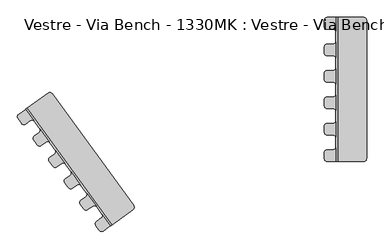
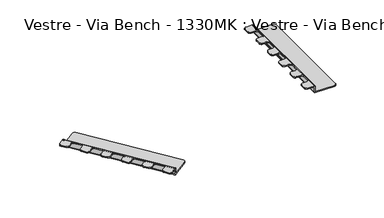
"""IFC4 building model written with IfcOpenShell, lengths in millimetres: furniture geometry, Vestre - Via Bench - 1330MK : Vestre - Via Bench - 1330MK."""

from ifc_helpers import new_model, si_unit, frame, origin, place, context, project, spatial, polyline, circle_curve, source, transform, mapped, element, save
from ifc_brep_helpers import plane_surface, cylinder_surface, revolved_surface, advanced_brep


def vestre_via_bench_1330mk_vestre_via_bench_1330mk_baa51c59(model_context):
    return source(origin(), model_context, "Body", "AdvancedBrep", [
        advanced_brep(
        [(-10.0003404, 62.7999529, 378.0003783), (-20.0003404, 52.7999529, 378.0003783), (-20.0003404, 32.7999529, 378.0003783), (-10.0003404, 22.7999529, 378.0003783), (9.9996596, 22.7999529, 378.0003783), (19.2872706, 16.5067415, 378.0003783), (19.2872706, 69.0931644, 378.0003783), (9.9996596, 62.7999529, 378.0003783), (9.9996596, 112.7999529, 378.0003783), (19.2872706, 106.5067415, 378.0003783), (19.2872706, 159.0931644, 378.0003783), (9.9996596, 152.7999529, 378.0003783), (-10.0003404, 152.7999529, 378.0003783), (-20.0003404, 142.7999529, 378.0003783), (-20.0003404, 122.7999529, 378.0003783), (-10.0003404, 112.7999529, 378.0003783), (9.9996596, 202.7999529, 378.0003783), (19.2872706, 196.5067415, 378.0003783), (19.2872706, 243.5, 378.0003783), (-10.0003404, 243.5, 378.0003783), (-20.0003404, 233.5, 378.0003783), (-20.0003404, 212.7999529, 378.0003783), (-10.0003404, 202.7999529, 378.0003783), (-10.0003404, -27.2000471, 378.0003783), (-20.0003404, -37.2000471, 378.0003783), (-20.0003404, -57.2000471, 378.0003783), (-10.0003404, -67.2000471, 378.0003783), (9.9996596, -67.2000471, 378.0003783), (19.2872706, -73.4932585, 378.0003783), (19.2872706, -20.9068356, 378.0003783), (9.9996596, -27.2000471, 378.0003783), (-10.0003404, -117.2000471, 378.0003783), (-20.0003404, -127.2000471, 378.0003783), (-20.0003404, -147.2000471, 378.0003783), (-10.0003404, -157.2000471, 378.0003783), (9.9996596, -157.2000471, 378.0003783), (19.2872706, -163.4932585, 378.0003783), (19.2872706, -110.9068356, 378.0003783), (9.9996596, -117.2000471, 378.0003783), (-10.0003404, -207.2000471, 378.0003783), (-20.0003404, -217.2000471, 378.0003783), (-20.0003404, -237.2000471, 378.0003783), (-10.0003404, -247.2000471, 378.0003783), (19.2872706, -247.2000471, 378.0003783), (19.2872706, -200.9068356, 378.0003783), (9.9996596, -207.2000471, 378.0003783), (-10.0003404, 62.7999529, 373.0), (9.9996596, 62.7999529, 373.0), (19.2872706, 69.0931644, 373.0), (19.2872706, 16.5067415, 373.0), (9.9996596, 22.7999529, 373.0), (-10.0003404, 22.7999529, 373.0), (-20.0003404, 32.7999529, 373.0), (-20.0003404, 52.7999529, 373.0), (9.9996596, 112.7999529, 373.0), (-10.0003404, 112.7999529, 373.0), (-20.0003404, 122.7999529, 373.0), (-20.0003404, 142.7999529, 373.0), (-10.0003404, 152.7999529, 373.0), (9.9996596, 152.7999529, 373.0), (19.2872706, 159.0931644, 373.0), (19.2872706, 106.5067415, 373.0), (9.9996596, 202.7999529, 373.0), (-10.0003404, 202.7999529, 373.0), (-20.0003404, 212.7999529, 373.0), (-20.0003404, 233.5, 373.0), (-10.0003404, 243.5, 373.0), (19.2872706, 243.5, 373.0), (19.2872706, 196.5067415, 373.0), (-10.0003404, -27.2000471, 373.0), (9.9996596, -27.2000471, 373.0), (19.2872706, -20.9068356, 373.0), (19.2872706, -73.4932585, 373.0), (9.9996596, -67.2000471, 373.0), (-10.0003404, -67.2000471, 373.0), (-20.0003404, -57.2000471, 373.0), (-20.0003404, -37.2000471, 373.0), (-10.0003404, -117.2000471, 373.0), (9.9996596, -117.2000471, 373.0), (19.2872706, -110.9068356, 373.0), (19.2872706, -163.4932585, 373.0), (9.9996596, -157.2000471, 373.0), (-10.0003404, -157.2000471, 373.0), (-20.0003404, -147.2000471, 373.0), (-20.0003404, -127.2000471, 373.0), (-10.0003404, -207.2000471, 373.0), (9.9996596, -207.2000471, 373.0), (19.2872706, -200.9068356, 373.0), (19.2872706, -247.2000471, 373.0), (-10.0003404, -247.2000471, 373.0), (-20.0003404, -237.2000471, 373.0), (-20.0003404, -217.2000471, 373.0), (25.0876489, 243.5, 372.2), (25.0876489, 243.5, 348.3561945), (25.8876489, 243.5, 347.5561945), (113.3310761, 243.5, 347.5561945), (113.3310761, 243.5, 342.5561945), (25.8872706, 243.5, 342.5561945), (20.0872706, 243.5, 348.3561945), (20.0872706, 243.5, 372.2), (20.0872706, -247.2000471, 372.2), (20.0872706, -247.2000471, 348.3561945), (25.8872706, -247.2000471, 342.5561945), (113.3310761, -247.2000471, 342.5561945), (113.3310761, -247.2000471, 347.5561945), (25.8876489, -247.2000471, 347.5561945), (25.0876489, -247.2000471, 348.3561945), (25.0876489, -247.2000471, 372.2), (123.3310761, 233.5, 342.5561945), (123.3310761, -237.2000471, 342.5561945), (123.3310761, -237.2000471, 347.5561945), (123.3310761, 233.5, 347.5561945)],
        [
            (0, 1, circle_curve(frame((-10.0003404, 52.7999529, 378.0003783), z_axis=(0.0, 0.0, 1.0), x_axis=(-1.0, 0.0, 0.0)), 10.0)),
            (1, 2),
            (2, 3, circle_curve(frame((-10.0003404, 32.7999529, 378.0003783), z_axis=(0.0, 0.0, 1.0), x_axis=(0.0, -1.0, 0.0)), 10.0)),
            (3, 4),
            (4, 5, circle_curve(frame((9.9996596, 12.7999529, 378.0003783), z_axis=(0.0, 0.0, -1.0), x_axis=(0.0, 1.0, 0.0)), 10.0)),
            (5, 6),
            (6, 7, circle_curve(frame((9.9996596, 72.7999529, 378.0003783), z_axis=(0.0, 0.0, -1.0), x_axis=(0.9287611019613662, -0.3706788576160083, 0.0)), 10.0)),
            (7, 0),
            (8, 9, circle_curve(frame((9.9996596, 102.7999529, 378.0003783), z_axis=(0.0, 0.0, -1.0), x_axis=(0.0, 1.0, 0.0)), 10.0)),
            (9, 10),
            (10, 11, circle_curve(frame((9.9996596, 162.7999529, 378.0003783), z_axis=(0.0, 0.0, -1.0), x_axis=(0.928761101961394, -0.3706788576159382, 0.0)), 10.0)),
            (11, 12),
            (12, 13, circle_curve(frame((-10.0003404, 142.7999529, 378.0003783), z_axis=(0.0, 0.0, 1.0), x_axis=(-1.0, 0.0, 0.0)), 10.0)),
            (13, 14),
            (14, 15, circle_curve(frame((-10.0003404, 122.7999529, 378.0003783), z_axis=(0.0, 0.0, 1.0), x_axis=(0.0, -1.0, 0.0)), 10.0)),
            (15, 8),
            (16, 17, circle_curve(frame((9.9996596, 192.7999529, 378.0003783), z_axis=(0.0, 0.0, -1.0), x_axis=(0.0, 1.0, 0.0)), 10.0)),
            (17, 18),
            (18, 19),
            (19, 20, circle_curve(frame((-10.0003404, 233.5, 378.0003783), z_axis=(0.0, 0.0, 1.0), x_axis=(-1.0, 0.0, 0.0)), 10.0)),
            (20, 21),
            (21, 22, circle_curve(frame((-10.0003404, 212.7999529, 378.0003783), z_axis=(0.0, 0.0, 1.0), x_axis=(0.0, -1.0, 0.0)), 10.0)),
            (22, 16),
            (23, 24, circle_curve(frame((-10.0003404, -37.2000471, 378.0003783), z_axis=(0.0, 0.0, 1.0), x_axis=(-1.0, 0.0, 0.0)), 10.0)),
            (24, 25),
            (25, 26, circle_curve(frame((-10.0003404, -57.2000471, 378.0003783), z_axis=(0.0, 0.0, 1.0), x_axis=(0.0, -1.0, 0.0)), 10.0)),
            (26, 27),
            (27, 28, circle_curve(frame((9.9996596, -77.2000471, 378.0003783), z_axis=(0.0, 0.0, -1.0), x_axis=(0.0, 1.0, 0.0)), 10.0)),
            (28, 29),
            (29, 30, circle_curve(frame((9.9996596, -17.2000471, 378.0003783), z_axis=(0.0, 0.0, -1.0), x_axis=(0.9287611019613382, -0.3706788576160784, 0.0)), 10.0)),
            (30, 23),
            (31, 32, circle_curve(frame((-10.0003404, -127.2000471, 378.0003783), z_axis=(0.0, 0.0, 1.0), x_axis=(-1.0, 0.0, 0.0)), 10.0)),
            (32, 33),
            (33, 34, circle_curve(frame((-10.0003404, -147.2000471, 378.0003783), z_axis=(0.0, 0.0, 1.0), x_axis=(0.0, -1.0, 0.0)), 10.0)),
            (34, 35),
            (35, 36, circle_curve(frame((9.9996596, -167.2000471, 378.0003783), z_axis=(0.0, 0.0, -1.0), x_axis=(0.0, 1.0, 0.0)), 10.0)),
            (36, 37),
            (37, 38, circle_curve(frame((9.9996596, -107.2000471, 378.0003783), z_axis=(0.0, 0.0, -1.0), x_axis=(0.9287611019613643, -0.37067885761601305, 0.0)), 10.0)),
            (38, 31),
            (39, 40, circle_curve(frame((-10.0003404, -217.2000471, 378.0003783), z_axis=(0.0, 0.0, 1.0), x_axis=(-1.0, 0.0, 0.0)), 10.0)),
            (40, 41),
            (41, 42, circle_curve(frame((-10.0003404, -237.2000471, 378.0003783), z_axis=(0.0, 0.0, 1.0), x_axis=(0.0, -1.0, 0.0)), 10.0)),
            (42, 43),
            (43, 44),
            (44, 45, circle_curve(frame((9.9996596, -197.2000471, 378.0003783), z_axis=(0.0, 0.0, -1.0), x_axis=(0.9287611019613456, -0.37067885761605973, 0.0)), 10.0)),
            (45, 39),
            (46, 47),
            (47, 48, circle_curve(frame((9.9996596, 72.7999529, 373.0), z_axis=(0.0, 0.0, 1.0), x_axis=(0.9287611019613662, -0.3706788576160083, 0.0)), 10.0)),
            (48, 49),
            (49, 50, circle_curve(frame((9.9996596, 12.7999529, 373.0), z_axis=(0.0, 0.0, 1.0), x_axis=(0.0, 1.0, 0.0)), 10.0)),
            (50, 51),
            (51, 52, circle_curve(frame((-10.0003404, 32.7999529, 373.0), z_axis=(0.0, 0.0, -1.0), x_axis=(0.0, -1.0, 0.0)), 10.0)),
            (52, 53),
            (53, 46, circle_curve(frame((-10.0003404, 52.7999529, 373.0), z_axis=(0.0, 0.0, -1.0), x_axis=(-1.0, 0.0, 0.0)), 10.0)),
            (54, 55),
            (55, 56, circle_curve(frame((-10.0003404, 122.7999529, 373.0), z_axis=(0.0, 0.0, -1.0), x_axis=(0.0, -1.0, 0.0)), 10.0)),
            (56, 57),
            (57, 58, circle_curve(frame((-10.0003404, 142.7999529, 373.0), z_axis=(0.0, 0.0, -1.0), x_axis=(-1.0, 0.0, 0.0)), 10.0)),
            (58, 59),
            (59, 60, circle_curve(frame((9.9996596, 162.7999529, 373.0), z_axis=(0.0, 0.0, 1.0), x_axis=(0.928761101961394, -0.3706788576159382, 0.0)), 10.0)),
            (60, 61),
            (61, 54, circle_curve(frame((9.9996596, 102.7999529, 373.0), z_axis=(0.0, 0.0, 1.0), x_axis=(0.0, 1.0, 0.0)), 10.0)),
            (62, 63),
            (63, 64, circle_curve(frame((-10.0003404, 212.7999529, 373.0), z_axis=(0.0, 0.0, -1.0), x_axis=(0.0, -1.0, 0.0)), 10.0)),
            (64, 65),
            (65, 66, circle_curve(frame((-10.0003404, 233.5, 373.0), z_axis=(0.0, 0.0, -1.0), x_axis=(-1.0, 0.0, 0.0)), 10.0)),
            (66, 67),
            (67, 68),
            (68, 62, circle_curve(frame((9.9996596, 192.7999529, 373.0), z_axis=(0.0, 0.0, 1.0), x_axis=(0.0, 1.0, 0.0)), 10.0)),
            (69, 70),
            (70, 71, circle_curve(frame((9.9996596, -17.2000471, 373.0), z_axis=(0.0, 0.0, 1.0), x_axis=(0.9287611019613382, -0.3706788576160784, 0.0)), 10.0)),
            (71, 72),
            (72, 73, circle_curve(frame((9.9996596, -77.2000471, 373.0), z_axis=(0.0, 0.0, 1.0), x_axis=(0.0, 1.0, 0.0)), 10.0)),
            (73, 74),
            (74, 75, circle_curve(frame((-10.0003404, -57.2000471, 373.0), z_axis=(0.0, 0.0, -1.0), x_axis=(0.0, -1.0, 0.0)), 10.0)),
            (75, 76),
            (76, 69, circle_curve(frame((-10.0003404, -37.2000471, 373.0), z_axis=(0.0, 0.0, -1.0), x_axis=(-1.0, 0.0, 0.0)), 10.0)),
            (77, 78),
            (78, 79, circle_curve(frame((9.9996596, -107.2000471, 373.0), z_axis=(0.0, 0.0, 1.0), x_axis=(0.9287611019613643, -0.37067885761601305, 0.0)), 10.0)),
            (79, 80),
            (80, 81, circle_curve(frame((9.9996596, -167.2000471, 373.0), z_axis=(0.0, 0.0, 1.0), x_axis=(0.0, 1.0, 0.0)), 10.0)),
            (81, 82),
            (82, 83, circle_curve(frame((-10.0003404, -147.2000471, 373.0), z_axis=(0.0, 0.0, -1.0), x_axis=(0.0, -1.0, 0.0)), 10.0)),
            (83, 84),
            (84, 77, circle_curve(frame((-10.0003404, -127.2000471, 373.0), z_axis=(0.0, 0.0, -1.0), x_axis=(-1.0, 0.0, 0.0)), 10.0)),
            (85, 86),
            (86, 87, circle_curve(frame((9.9996596, -197.2000471, 373.0), z_axis=(0.0, 0.0, 1.0), x_axis=(0.9287611019613456, -0.37067885761605973, 0.0)), 10.0)),
            (87, 88),
            (88, 89),
            (89, 90, circle_curve(frame((-10.0003404, -237.2000471, 373.0), z_axis=(0.0, 0.0, -1.0), x_axis=(0.0, -1.0, 0.0)), 10.0)),
            (90, 91),
            (91, 85, circle_curve(frame((-10.0003404, -217.2000471, 373.0), z_axis=(0.0, 0.0, -1.0), x_axis=(-1.0, 0.0, 0.0)), 10.0)),
            (0, 46),
            (53, 1),
            (52, 2),
            (51, 3),
            (50, 4),
            (49, 5),
            (6, 48),
            (47, 7),
            (8, 54),
            (61, 9),
            (10, 60),
            (59, 11),
            (58, 12),
            (57, 13),
            (56, 14),
            (55, 15),
            (16, 62),
            (68, 17),
            (18, 92, circle_curve(frame((19.2872706, 243.5, 372.2), z_axis=(0.0, 1.0, 0.0), x_axis=(1.0, 0.0, 0.0)), 5.8003783)),
            (92, 93),
            (93, 94, circle_curve(frame((25.8876489, 243.5, 348.3561945), z_axis=(0.0, -1.0, 0.0), x_axis=(1.0, 0.0, 0.0)), 0.8)),
            (94, 95),
            (95, 96),
            (96, 97),
            (97, 98, circle_curve(frame((25.8872706, 243.5, 348.3561945), z_axis=(0.0, 1.0, 0.0), x_axis=(1.0, 0.0, 0.0)), 5.8)),
            (98, 99),
            (99, 67, circle_curve(frame((19.2872706, 243.5, 372.2), z_axis=(0.0, -1.0, 0.0), x_axis=(1.0, 0.0, 0.0)), 0.8)),
            (66, 19),
            (65, 20),
            (64, 21),
            (63, 22),
            (23, 69),
            (76, 24),
            (75, 25),
            (74, 26),
            (73, 27),
            (72, 28),
            (29, 71),
            (70, 30),
            (31, 77),
            (84, 32),
            (83, 33),
            (82, 34),
            (81, 35),
            (80, 36),
            (37, 79),
            (78, 38),
            (39, 85),
            (91, 40),
            (90, 41),
            (89, 42),
            (88, 100, circle_curve(frame((19.2872706, -247.2000471, 372.2), z_axis=(0.0, 1.0, 0.0), x_axis=(1.0, 0.0, 0.0)), 0.8)),
            (100, 101),
            (101, 102, circle_curve(frame((25.8872706, -247.2000471, 348.3561945), z_axis=(0.0, -1.0, 0.0), x_axis=(1.0, 0.0, 0.0)), 5.8)),
            (102, 103),
            (103, 104),
            (104, 105),
            (105, 106, circle_curve(frame((25.8876489, -247.2000471, 348.3561945), z_axis=(0.0, 1.0, 0.0), x_axis=(1.0, 0.0, 0.0)), 0.8)),
            (106, 107),
            (107, 43, circle_curve(frame((19.2872706, -247.2000471, 372.2), z_axis=(0.0, -1.0, 0.0), x_axis=(1.0, 0.0, 0.0)), 5.8003783)),
            (44, 87),
            (86, 45),
            (6, 9),
            (61, 48),
            (10, 17),
            (68, 60),
            (29, 5),
            (49, 71),
            (37, 28),
            (72, 79),
            (44, 36),
            (80, 87),
            (99, 100),
            (98, 101),
            (106, 93),
            (92, 107),
            (97, 102),
            (96, 108, circle_curve(frame((113.3310761, 233.5, 342.5561945), z_axis=(0.0, 0.0, -1.0), x_axis=(0.0, 1.0, 0.0)), 10.0)),
            (108, 109),
            (109, 103, circle_curve(frame((113.3310761, -237.2000471, 342.5561945), z_axis=(0.0, 0.0, -1.0), x_axis=(1.0, 0.0, 0.0)), 10.0)),
            (104, 110, circle_curve(frame((113.3310761, -237.2000471, 347.5561945), z_axis=(0.0, 0.0, 1.0), x_axis=(1.0, 0.0, 0.0)), 10.0)),
            (110, 111),
            (111, 95, circle_curve(frame((113.3310761, 233.5, 347.5561945), z_axis=(0.0, 0.0, 1.0), x_axis=(0.0, 1.0, 0.0)), 10.0)),
            (94, 105),
            (109, 110),
            (108, 111),
        ],
        [
            plane_surface(frame((-20.0003404, 52.7999529, 378.0003783), z_axis=(0.0, 0.0, 1.0), x_axis=(0.0, -1.0, 0.0))),
            plane_surface(frame((-20.0003404, 52.7999529, 373.0), z_axis=(0.0, 0.0, -1.0), x_axis=(0.0, 1.0, 0.0))),
            cylinder_surface(frame((-10.0003404, 52.7999529, 373.0), z_axis=(0.0, 0.0, 1.0), x_axis=(-1.0, 0.0, 0.0)), 10.0),
            plane_surface(frame((-20.0003404, 52.7999529, 378.0003783), z_axis=(-1.0, 0.0, 0.0), x_axis=(0.0, 0.0, -1.0))),
            cylinder_surface(frame((-10.0003404, 32.7999529, 373.0), z_axis=(0.0, 0.0, 1.0), x_axis=(0.0, -1.0, 0.0)), 10.0),
            plane_surface(frame((-10.0003404, 22.7999529, 378.0003783), z_axis=(0.0, -1.0, 0.0), x_axis=(0.0, 0.0, -1.0))),
            revolved_surface(polyline([(9.9996596, 22.7999529, 373.0), (9.9996596, 22.7999529, 378.0003783)]), (9.9996596, 12.7999529, 373.0), (0.0, 0.0, -1.0)),
            revolved_surface(polyline([(19.28727061961366, 69.09316432383991, 373.0), (19.28727061961366, 69.09316432383991, 378.0003783)]), (9.9996596, 72.7999529, 373.0), (0.0, 0.0, -1.0000000000000002)),
            plane_surface(frame((9.9996596, 62.7999529, 378.0003783), z_axis=(0.0, 1.0, 0.0), x_axis=(0.0, 0.0, -1.0))),
            revolved_surface(polyline([(9.9996596, 112.7999529, 373.0), (9.9996596, 112.7999529, 378.0003783)]), (9.9996596, 102.7999529, 0.0), (0.0, 0.0, -1.0)),
            revolved_surface(polyline([(19.287270619613942, 159.09316432384063, 373.0), (19.287270619613942, 159.09316432384063, 378.0003783)]), (9.9996596, 162.7999529, 0.0), (0.0, 0.0, -1.0)),
            plane_surface(frame((9.9996596, 152.7999529, 378.0003783), z_axis=(0.0, 1.0, 0.0), x_axis=(0.0, 0.0, -1.0))),
            cylinder_surface(frame((-10.0003404, 142.7999529, 0.0), z_axis=(0.0, 0.0, 1.0), x_axis=(-1.0, 0.0, 0.0)), 10.0),
            plane_surface(frame((-20.0003404, 142.7999529, 378.0003783), z_axis=(-1.0, 0.0, 0.0), x_axis=(0.0, 0.0, -1.0))),
            cylinder_surface(frame((-10.0003404, 122.7999529, 0.0), z_axis=(0.0, 0.0, 1.0), x_axis=(0.0, -1.0, 0.0)), 10.0),
            plane_surface(frame((-10.0003404, 112.7999529, 378.0003783), z_axis=(0.0, -1.0, 0.0), x_axis=(0.0, 0.0, -1.0))),
            revolved_surface(polyline([(9.9996596, 202.7999529, 373.0), (9.9996596, 202.7999529, 378.0003783)]), (9.9996596, 192.7999529, 0.0), (0.0, 0.0, -1.0)),
            plane_surface(frame((19.2872706, 243.5, 378.0003783), z_axis=(0.0, 1.0, 0.0), x_axis=(0.0, 0.0, -1.0))),
            cylinder_surface(frame((-10.0003404, 233.5, 0.0), z_axis=(0.0, 0.0, 1.0), x_axis=(-1.0, 0.0, 0.0)), 10.0),
            plane_surface(frame((-20.0003404, 233.5, 378.0003783), z_axis=(-1.0, 0.0, 0.0), x_axis=(0.0, 0.0, -1.0))),
            cylinder_surface(frame((-10.0003404, 212.7999529, 0.0), z_axis=(0.0, 0.0, 1.0), x_axis=(0.0, -1.0, 0.0)), 10.0),
            plane_surface(frame((-10.0003404, 202.7999529, 378.0003783), z_axis=(0.0, -1.0, 0.0), x_axis=(0.0, 0.0, -1.0))),
            cylinder_surface(frame((-10.0003404, -37.2000471, 0.0), z_axis=(0.0, 0.0, 1.0), x_axis=(-1.0, 0.0, 0.0)), 10.0),
            plane_surface(frame((-20.0003404, -37.2000471, 378.0003783), z_axis=(-1.0, 0.0, 0.0), x_axis=(0.0, 0.0, -1.0))),
            cylinder_surface(frame((-10.0003404, -57.2000471, 0.0), z_axis=(0.0, 0.0, 1.0), x_axis=(0.0, -1.0, 0.0)), 10.0),
            plane_surface(frame((-10.0003404, -67.2000471, 378.0003783), z_axis=(0.0, -1.0, 0.0), x_axis=(0.0, 0.0, -1.0))),
            revolved_surface(polyline([(9.9996596, -67.2000471, 373.0), (9.9996596, -67.2000471, 378.0003783)]), (9.9996596, -77.2000471, 0.0), (0.0, 0.0, -1.0)),
            revolved_surface(polyline([(19.28727061961338, -20.90683567616078, 373.0000000000001), (19.28727061961338, -20.90683567616078, 378.00037830000014)]), (9.9996596, -17.2000471, 0.0), (0.0, 0.0, -1.0000000000000002)),
            plane_surface(frame((9.9996596, -27.2000471, 378.0003783), z_axis=(0.0, 1.0, 0.0), x_axis=(0.0, 0.0, -1.0))),
            cylinder_surface(frame((-10.0003404, -127.2000471, 0.0), z_axis=(0.0, 0.0, 1.0), x_axis=(-1.0, 0.0, 0.0)), 10.0),
            plane_surface(frame((-20.0003404, -127.2000471, 378.0003783), z_axis=(-1.0, 0.0, 0.0), x_axis=(0.0, 0.0, -1.0))),
            cylinder_surface(frame((-10.0003404, -147.2000471, 0.0), z_axis=(0.0, 0.0, 1.0), x_axis=(0.0, -1.0, 0.0)), 10.0),
            plane_surface(frame((-10.0003404, -157.2000471, 378.0003783), z_axis=(0.0, -1.0, 0.0), x_axis=(0.0, 0.0, -1.0))),
            revolved_surface(polyline([(9.9996596, -157.2000471, 373.0), (9.9996596, -157.2000471, 378.0003783)]), (9.9996596, -167.2000471, 0.0), (0.0, 0.0, -1.0)),
            revolved_surface(polyline([(19.287270619613643, -110.90683567616014, 373.0000000000001), (19.287270619613643, -110.90683567616014, 378.00037830000014)]), (9.9996596, -107.2000471, 0.0), (0.0, 0.0, -1.0000000000000002)),
            plane_surface(frame((9.9996596, -117.2000471, 378.0003783), z_axis=(0.0, 1.0, 0.0), x_axis=(0.0, 0.0, -1.0))),
            cylinder_surface(frame((-10.0003404, -217.2000471, 0.0), z_axis=(0.0, 0.0, 1.0), x_axis=(-1.0, 0.0, 0.0)), 10.0),
            plane_surface(frame((-20.0003404, -217.2000471, 378.0003783), z_axis=(-1.0, 0.0, 0.0), x_axis=(0.0, 0.0, -1.0))),
            cylinder_surface(frame((-10.0003404, -237.2000471, 0.0), z_axis=(0.0, 0.0, 1.0), x_axis=(0.0, -1.0, 0.0)), 10.0),
            plane_surface(frame((-10.0003404, -247.2000471, 378.0003783), z_axis=(0.0, -1.0, 0.0), x_axis=(0.0, 0.0, -1.0))),
            revolved_surface(polyline([(19.287270619613455, -200.9068356761606, 373.0000000000001), (19.287270619613455, -200.9068356761606, 378.00037830000014)]), (9.9996596, -197.2000471, 0.0), (0.0, 0.0, -1.0000000000000002)),
            plane_surface(frame((9.9996596, -207.2000471, 378.0003783), z_axis=(0.0, 1.0, 0.0), x_axis=(0.0, 0.0, -1.0))),
            plane_surface(frame((19.2872706, -247.2000471, 378.0003783), z_axis=(-1.0, 0.0, 0.0), x_axis=(0.0, 1.0, 0.0))),
            revolved_surface(polyline([(20.0872706, 243.5, 372.2), (20.0872706, -247.2000471, 372.2)]), (19.2872706, 243.5, 372.2), (0.0, 1.0, 0.0)),
            plane_surface(frame((20.0872706, -247.2000471, 372.2), z_axis=(-1.0, 0.0, 0.0), x_axis=(0.0, 1.0, 0.0))),
            plane_surface(frame((25.0876489, -247.2000471, 348.3561945), z_axis=(1.0, 0.0, 0.0), x_axis=(0.0, 1.0, 0.0))),
            cylinder_surface(frame((19.2872706, 243.5, 372.2), z_axis=(0.0, -1.0, 0.0), x_axis=(1.0, 0.0, 0.0)), 5.8003783),
            cylinder_surface(frame((25.8872706, 243.5, 348.3561945), z_axis=(0.0, -1.0, 0.0), x_axis=(1.0, 0.0, 0.0)), 5.8),
            plane_surface(frame((25.8872706, -247.2000471, 342.5561945), z_axis=(0.0, 0.0, -1.0), x_axis=(0.0, 1.0, 0.0))),
            plane_surface(frame((29.2872706, -247.2000471, 347.5561945), z_axis=(0.0, 0.0, 1.0), x_axis=(0.0, 1.0, 0.0))),
            revolved_surface(polyline([(26.6876489, 243.5, 348.3561945), (26.6876489, -247.2000471, 348.3561945)]), (25.8876489, 243.5, 348.3561945), (0.0, 1.0, 0.0)),
            cylinder_surface(frame((113.3310761, -237.2000471, 342.5561945), z_axis=(0.0, 0.0, 1.0), x_axis=(1.0, 0.0, 0.0)), 10.0),
            plane_surface(frame((123.3310761, -237.2000471, 347.5561945), z_axis=(1.0, 0.0, 0.0), x_axis=(0.0, 0.0, -1.0))),
            cylinder_surface(frame((113.3310761, 233.5, 342.5561945), z_axis=(0.0, 0.0, 1.0), x_axis=(0.0, 1.0, 0.0)), 10.0),
        ],
        [
            (0, [[1, 2, 3, 4, 5, 6, 7, 8]]),
            (0, [[9, 10, 11, 12, 13, 14, 15, 16]]),
            (0, [[17, 18, 19, 20, 21, 22, 23]]),
            (0, [[24, 25, 26, 27, 28, 29, 30, 31]]),
            (0, [[32, 33, 34, 35, 36, 37, 38, 39]]),
            (0, [[40, 41, 42, 43, 44, 45, 46]]),
            (1, [[47, 48, 49, 50, 51, 52, 53, 54]]),
            (1, [[55, 56, 57, 58, 59, 60, 61, 62]]),
            (1, [[63, 64, 65, 66, 67, 68, 69]]),
            (1, [[70, 71, 72, 73, 74, 75, 76, 77]]),
            (1, [[78, 79, 80, 81, 82, 83, 84, 85]]),
            (1, [[86, 87, 88, 89, 90, 91, 92]]),
            (2, [[-1, 93, -54, 94]]),
            (3, [[-2, -94, -53, 95]]),
            (4, [[-3, -95, -52, 96]]),
            (5, [[-4, -96, -51, 97]]),
            (6, [[-5, -97, -50, 98]]),
            (7, [[-7, 99, -48, 100]]),
            (8, [[-8, -100, -47, -93]]),
            (9, [[-9, 101, -62, 102]]),
            (10, [[-11, 103, -60, 104]]),
            (11, [[-12, -104, -59, 105]]),
            (12, [[-13, -105, -58, 106]]),
            (13, [[-14, -106, -57, 107]]),
            (14, [[-15, -107, -56, 108]]),
            (15, [[-16, -108, -55, -101]]),
            (16, [[-17, 109, -69, 110]]),
            (17, [[-19, 111, 112, 113, 114, 115, 116, 117, 118, 119, -67, 120]]),
            (18, [[-20, -120, -66, 121]]),
            (19, [[-21, -121, -65, 122]]),
            (20, [[-22, -122, -64, 123]]),
            (21, [[-23, -123, -63, -109]]),
            (22, [[-24, 124, -77, 125]]),
            (23, [[-25, -125, -76, 126]]),
            (24, [[-26, -126, -75, 127]]),
            (25, [[-27, -127, -74, 128]]),
            (26, [[-28, -128, -73, 129]]),
            (27, [[-30, 130, -71, 131]]),
            (28, [[-31, -131, -70, -124]]),
            (29, [[-32, 132, -85, 133]]),
            (30, [[-33, -133, -84, 134]]),
            (31, [[-34, -134, -83, 135]]),
            (32, [[-35, -135, -82, 136]]),
            (33, [[-36, -136, -81, 137]]),
            (34, [[-38, 138, -79, 139]]),
            (35, [[-39, -139, -78, -132]]),
            (36, [[-40, 140, -92, 141]]),
            (37, [[-41, -141, -91, 142]]),
            (38, [[-42, -142, -90, 143]]),
            (39, [[-43, -143, -89, 144, 145, 146, 147, 148, 149, 150, 151, 152]]),
            (40, [[-45, 153, -87, 154]]),
            (41, [[-46, -154, -86, -140]]),
            (42, [[155, -102, 156, -99]]),
            (42, [[157, -110, 158, -103]]),
            (42, [[159, -98, 160, -130]]),
            (42, [[161, -129, 162, -138]]),
            (42, [[163, -137, 164, -153]]),
            (43, [[-144, -88, -164, -80, -162, -72, -160, -49, -156, -61, -158, -68, -119, 165]]),
            (44, [[-145, -165, -118, 166]]),
            (45, [[-151, 167, -112, 168]]),
            (46, [[-152, -168, -111, -18, -157, -10, -155, -6, -159, -29, -161, -37, -163, -44]]),
            (47, [[-146, -166, -117, 169]]),
            (48, [[-147, -169, -116, 170, 171, 172]]),
            (49, [[-149, 173, 174, 175, -114, 176]]),
            (50, [[-150, -176, -113, -167]]),
            (51, [[-173, -148, -172, 177]]),
            (52, [[-174, -177, -171, 178]]),
            (53, [[-175, -178, -170, -115]]),
        ],
    ),
        advanced_brep(
        [(-952.9360111, -232.9647273, 378.0003783), (-955.1483158, -246.9327518, 378.0003783), (-943.392596, -263.113081, 378.0003783), (-929.4245715, -265.3253856, 378.0003783), (-913.2442424, -253.5696658, 378.0003783), (-902.0313507, -253.2018498, 378.0003783), (-932.9409133, -210.6585682, 378.0003783), (-936.755682, -221.2090075, 378.0003783), (-966.1449815, -180.7581846, 378.0003783), (-954.9320898, -180.3903686, 378.0003783), (-985.8416524, -137.847087, 378.0003783), (-989.6564211, -148.3975263, 378.0003783), (-1005.8367503, -160.1532461, 378.0003783), (-1008.049055, -174.1212706, 378.0003783), (-996.2933351, -190.3015997, 378.0003783), (-982.3253107, -192.5139044, 378.0003783), (-1019.0457206, -107.9467034, 378.0003783), (-1007.8328289, -107.5788873, 378.0003783), (-1035.4548079, -69.5605678, 378.0003783), (-1059.1489672, -86.7754152, 378.0003783), (-1061.3612719, -100.7434397, 378.0003783), (-1049.1940743, -117.4901185, 378.0003783), (-1035.2260498, -119.7024232, 378.0003783), (-900.035272, -305.7762085, 378.0003783), (-902.2475767, -319.744233, 378.0003783), (-890.4918569, -335.9245622, 378.0003783), (-876.5238324, -338.1368669, 378.0003783), (-860.3435033, -326.3811471, 378.0003783), (-849.1306116, -326.013331, 378.0003783), (-880.0401742, -283.4700495, 378.0003783), (-883.8549429, -294.0204887, 378.0003783), (-847.1345329, -378.5876898, 378.0003783), (-849.3468376, -392.5557143, 378.0003783), (-837.5911178, -408.7360434, 378.0003783), (-823.6230933, -410.9483481, 378.0003783), (-807.4427641, -399.1926283, 378.0003783), (-796.2298724, -398.8248123, 378.0003783), (-827.1394351, -356.2815307, 378.0003783), (-830.9542037, -366.83197, 378.0003783), (-794.2337938, -451.399171, 378.0003783), (-796.4460985, -465.3671955, 378.0003783), (-784.6903787, -481.5475247, 378.0003783), (-770.7223542, -483.7598294, 378.0003783), (-747.0281948, -466.5449819, 378.0003783), (-774.238696, -429.093012, 378.0003783), (-778.0534646, -439.6434512, 378.0003783), (-952.9360111, -232.9647273, 373.0), (-936.755682, -221.2090075, 373.0), (-932.9409133, -210.6585682, 373.0), (-902.0313507, -253.2018498, 373.0), (-913.2442424, -253.5696658, 373.0), (-929.4245715, -265.3253856, 373.0), (-943.392596, -263.113081, 373.0), (-955.1483158, -246.9327518, 373.0), (-966.1449815, -180.7581846, 373.0), (-982.3253107, -192.5139044, 373.0), (-996.2933351, -190.3015997, 373.0), (-1008.049055, -174.1212706, 373.0), (-1005.8367503, -160.1532461, 373.0), (-989.6564211, -148.3975263, 373.0), (-985.8416524, -137.847087, 373.0), (-954.9320898, -180.3903686, 373.0), (-1019.0457206, -107.9467034, 373.0), (-1035.2260498, -119.7024232, 373.0), (-1049.1940743, -117.4901185, 373.0), (-1061.3612719, -100.7434397, 373.0), (-1059.1489672, -86.7754152, 373.0), (-1035.4548079, -69.5605678, 373.0), (-1007.8328289, -107.5788873, 373.0), (-900.035272, -305.7762085, 373.0), (-883.8549429, -294.0204887, 373.0), (-880.0401742, -283.4700495, 373.0), (-849.1306116, -326.013331, 373.0), (-860.3435033, -326.3811471, 373.0), (-876.5238324, -338.1368669, 373.0), (-890.4918569, -335.9245622, 373.0), (-902.2475767, -319.744233, 373.0), (-847.1345329, -378.5876898, 373.0), (-830.9542037, -366.83197, 373.0), (-827.1394351, -356.2815307, 373.0), (-796.2298724, -398.8248123, 373.0), (-807.4427641, -399.1926283, 373.0), (-823.6230933, -410.9483481, 373.0), (-837.5911178, -408.7360434, 373.0), (-849.3468376, -392.5557143, 373.0), (-794.2337938, -451.399171, 373.0), (-778.0534646, -439.6434512, 373.0), (-774.238696, -429.093012, 373.0), (-747.0281948, -466.5449819, 373.0), (-770.7223542, -483.7598294, 373.0), (-784.6903787, -481.5475247, 373.0), (-796.4460985, -465.3671955, 373.0), (-1030.7622064, -66.1511867, 372.2), (-1030.7622064, -66.1511867, 348.3561945), (-1030.1149932, -65.6809579, 347.5561945), (-959.3718215, -14.2829364, 347.5561945), (-959.3718215, -14.2829364, 342.5561945), (-1030.1152993, -65.6811803, 342.5561945), (-1034.8075947, -69.090339, 348.3561945), (-1034.8075947, -69.090339, 372.2), (-746.3809817, -466.0747531, 372.2), (-746.3809817, -466.0747531, 348.3561945), (-741.6886862, -462.6655944, 342.5561945), (-670.9452084, -411.2673506, 342.5561945), (-670.9452084, -411.2673506, 347.5561945), (-741.6883802, -462.665372, 347.5561945), (-742.3355933, -463.1356008, 348.3561945), (-742.3355933, -463.1356008, 372.2), (-945.403797, -16.4952411, 342.5561945), (-668.7329037, -397.2993261, 342.5561945), (-668.7329037, -397.2993261, 347.5561945), (-945.403797, -16.4952411, 347.5561945)],
        [
            (0, 1, circle_curve(frame((-947.0581512, -241.0548919, 378.0003783), z_axis=(0.0, 0.0, 1.0), x_axis=(-0.8090164582152695, -0.5877859902522528, 0.0)), 10.0)),
            (1, 2),
            (2, 3, circle_curve(frame((-935.3024314, -257.2352211, 378.0003783), z_axis=(0.0, 0.0, 1.0), x_axis=(0.5877859902522089, -0.8090164582153013, 0.0)), 10.0)),
            (3, 4),
            (4, 5, circle_curve(frame((-907.3663825, -261.6598304, 378.0003783), z_axis=(0.0, 0.0, -1.0), x_axis=(-0.5877859902522089, 0.8090164582153013, 0.0)), 10.0)),
            (5, 6),
            (6, 7, circle_curve(frame((-942.6335419, -213.1188429, 378.0003783), z_axis=(0.0, 0.0, -1.0), x_axis=(0.9692628566263077, 0.24602746750029741, 0.0)), 10.0)),
            (7, 0),
            (8, 9, circle_curve(frame((-960.2671216, -188.8483492, 378.0003783), z_axis=(0.0, 0.0, -1.0), x_axis=(-0.5877859902522089, 0.8090164582153013, 0.0)), 10.0)),
            (9, 10),
            (10, 11, circle_curve(frame((-995.534281, -140.3073617, 378.0003783), z_axis=(0.0, 0.0, -1.0), x_axis=(0.9692628566262891, 0.2460274675003704, 0.0)), 10.0)),
            (11, 12),
            (12, 13, circle_curve(frame((-999.9588904, -168.2434106, 378.0003783), z_axis=(0.0, 0.0, 1.0), x_axis=(-0.8090164582152695, -0.5877859902522528, 0.0)), 10.0)),
            (13, 14),
            (14, 15, circle_curve(frame((-988.2031706, -184.4237398, 378.0003783), z_axis=(0.0, 0.0, 1.0), x_axis=(0.5877859902522089, -0.8090164582153013, 0.0)), 10.0)),
            (15, 8),
            (16, 17, circle_curve(frame((-1013.1678607, -116.0368679, 378.0003783), z_axis=(0.0, 0.0, -1.0), x_axis=(-0.5877859902522308, 0.8090164582152854, 0.0)), 10.0)),
            (17, 18),
            (18, 19),
            (19, 20, circle_curve(frame((-1053.2711073, -94.8655798, 378.0003783), z_axis=(0.0, 0.0, 1.0), x_axis=(-0.8090164582152695, -0.5877859902522528, 0.0)), 10.0)),
            (20, 21),
            (21, 22, circle_curve(frame((-1041.1039097, -111.6122586, 378.0003783), z_axis=(0.0, 0.0, 1.0), x_axis=(0.5877859902522089, -0.8090164582153013, 0.0)), 10.0)),
            (22, 16),
            (23, 24, circle_curve(frame((-894.1574121, -313.8663731, 378.0003783), z_axis=(0.0, 0.0, 1.0), x_axis=(-0.8090164582152695, -0.5877859902522528, 0.0)), 10.0)),
            (24, 25),
            (25, 26, circle_curve(frame((-882.4016923, -330.0467023, 378.0003783), z_axis=(0.0, 0.0, 1.0), x_axis=(0.5877859902522089, -0.8090164582153013, 0.0)), 10.0)),
            (26, 27),
            (27, 28, circle_curve(frame((-854.4656434, -334.4713117, 378.0003783), z_axis=(0.0, 0.0, -1.0), x_axis=(-0.5877859902522089, 0.8090164582153013, 0.0)), 10.0)),
            (28, 29),
            (29, 30, circle_curve(frame((-889.7328028, -285.9303242, 378.0003783), z_axis=(0.0, 0.0, -1.0), x_axis=(0.9692628566263262, 0.2460274675002242, 0.0)), 10.0)),
            (30, 23),
            (31, 32, circle_curve(frame((-841.256673, -386.6778544, 378.0003783), z_axis=(0.0, 0.0, 1.0), x_axis=(-0.8090164582152695, -0.5877859902522528, 0.0)), 10.0)),
            (32, 33),
            (33, 34, circle_curve(frame((-829.5009532, -402.8581835, 378.0003783), z_axis=(0.0, 0.0, 1.0), x_axis=(0.5877859902522089, -0.8090164582153013, 0.0)), 10.0)),
            (34, 35),
            (35, 36, circle_curve(frame((-801.5649042, -407.2827929, 378.0003783), z_axis=(0.0, 0.0, -1.0), x_axis=(-0.5877859902522089, 0.8090164582153013, 0.0)), 10.0)),
            (36, 37),
            (37, 38, circle_curve(frame((-836.8320636, -358.7418054, 378.0003783), z_axis=(0.0, 0.0, -1.0), x_axis=(0.9692628566263088, 0.24602746750029236, 0.0)), 10.0)),
            (38, 31),
            (39, 40, circle_curve(frame((-788.3559339, -459.4893356, 378.0003783), z_axis=(0.0, 0.0, 1.0), x_axis=(-0.8090164582152695, -0.5877859902522528, 0.0)), 10.0)),
            (40, 41),
            (41, 42, circle_curve(frame((-776.6002141, -475.6696648, 378.0003783), z_axis=(0.0, 0.0, 1.0), x_axis=(0.5877859902522089, -0.8090164582153013, 0.0)), 10.0)),
            (42, 43),
            (43, 44),
            (44, 45, circle_curve(frame((-783.9313245, -431.5532866, 378.0003783), z_axis=(0.0, 0.0, -1.0), x_axis=(0.9692628566263213, 0.24602746750024362, 0.0)), 10.0)),
            (45, 39),
            (46, 47),
            (47, 48, circle_curve(frame((-942.6335419, -213.1188429, 373.0), z_axis=(0.0, 0.0, 1.0), x_axis=(0.9692628566263077, 0.24602746750029741, 0.0)), 10.0)),
            (48, 49),
            (49, 50, circle_curve(frame((-907.3663825, -261.6598304, 373.0), z_axis=(0.0, 0.0, 1.0), x_axis=(-0.5877859902522089, 0.8090164582153013, 0.0)), 10.0)),
            (50, 51),
            (51, 52, circle_curve(frame((-935.3024314, -257.2352211, 373.0), z_axis=(0.0, 0.0, -1.0), x_axis=(0.5877859902522089, -0.8090164582153013, 0.0)), 10.0)),
            (52, 53),
            (53, 46, circle_curve(frame((-947.0581512, -241.0548919, 373.0), z_axis=(0.0, 0.0, -1.0), x_axis=(-0.8090164582152695, -0.5877859902522528, 0.0)), 10.0)),
            (54, 55),
            (55, 56, circle_curve(frame((-988.2031706, -184.4237398, 373.0), z_axis=(0.0, 0.0, -1.0), x_axis=(0.5877859902522089, -0.8090164582153013, 0.0)), 10.0)),
            (56, 57),
            (57, 58, circle_curve(frame((-999.9588904, -168.2434106, 373.0), z_axis=(0.0, 0.0, -1.0), x_axis=(-0.8090164582152695, -0.5877859902522528, 0.0)), 10.0)),
            (58, 59),
            (59, 60, circle_curve(frame((-995.534281, -140.3073617, 373.0), z_axis=(0.0, 0.0, 1.0), x_axis=(0.9692628566262891, 0.2460274675003704, 0.0)), 10.0)),
            (60, 61),
            (61, 54, circle_curve(frame((-960.2671216, -188.8483492, 373.0), z_axis=(0.0, 0.0, 1.0), x_axis=(-0.5877859902522089, 0.8090164582153013, 0.0)), 10.0)),
            (62, 63),
            (63, 64, circle_curve(frame((-1041.1039097, -111.6122586, 373.0), z_axis=(0.0, 0.0, -1.0), x_axis=(0.5877859902522089, -0.8090164582153013, 0.0)), 10.0)),
            (64, 65),
            (65, 66, circle_curve(frame((-1053.2711073, -94.8655798, 373.0), z_axis=(0.0, 0.0, -1.0), x_axis=(-0.8090164582152695, -0.5877859902522528, 0.0)), 10.0)),
            (66, 67),
            (67, 68),
            (68, 62, circle_curve(frame((-1013.1678607, -116.0368679, 373.0), z_axis=(0.0, 0.0, 1.0), x_axis=(-0.5877859902522308, 0.8090164582152854, 0.0)), 10.0)),
            (69, 70),
            (70, 71, circle_curve(frame((-889.7328028, -285.9303242, 373.0), z_axis=(0.0, 0.0, 1.0), x_axis=(0.9692628566263262, 0.2460274675002242, 0.0)), 10.0)),
            (71, 72),
            (72, 73, circle_curve(frame((-854.4656434, -334.4713117, 373.0), z_axis=(0.0, 0.0, 1.0), x_axis=(-0.5877859902522089, 0.8090164582153013, 0.0)), 10.0)),
            (73, 74),
            (74, 75, circle_curve(frame((-882.4016923, -330.0467023, 373.0), z_axis=(0.0, 0.0, -1.0), x_axis=(0.5877859902522089, -0.8090164582153013, 0.0)), 10.0)),
            (75, 76),
            (76, 69, circle_curve(frame((-894.1574121, -313.8663731, 373.0), z_axis=(0.0, 0.0, -1.0), x_axis=(-0.8090164582152695, -0.5877859902522528, 0.0)), 10.0)),
            (77, 78),
            (78, 79, circle_curve(frame((-836.8320636, -358.7418054, 373.0), z_axis=(0.0, 0.0, 1.0), x_axis=(0.9692628566263088, 0.24602746750029236, 0.0)), 10.0)),
            (79, 80),
            (80, 81, circle_curve(frame((-801.5649042, -407.2827929, 373.0), z_axis=(0.0, 0.0, 1.0), x_axis=(-0.5877859902522089, 0.8090164582153013, 0.0)), 10.0)),
            (81, 82),
            (82, 83, circle_curve(frame((-829.5009532, -402.8581835, 373.0), z_axis=(0.0, 0.0, -1.0), x_axis=(0.5877859902522089, -0.8090164582153013, 0.0)), 10.0)),
            (83, 84),
            (84, 77, circle_curve(frame((-841.256673, -386.6778544, 373.0), z_axis=(0.0, 0.0, -1.0), x_axis=(-0.8090164582152695, -0.5877859902522528, 0.0)), 10.0)),
            (85, 86),
            (86, 87, circle_curve(frame((-783.9313245, -431.5532866, 373.0), z_axis=(0.0, 0.0, 1.0), x_axis=(0.9692628566263213, 0.24602746750024362, 0.0)), 10.0)),
            (87, 88),
            (88, 89),
            (89, 90, circle_curve(frame((-776.6002141, -475.6696648, 373.0), z_axis=(0.0, 0.0, -1.0), x_axis=(0.5877859902522089, -0.8090164582153013, 0.0)), 10.0)),
            (90, 91),
            (91, 85, circle_curve(frame((-788.3559339, -459.4893356, 373.0), z_axis=(0.0, 0.0, -1.0), x_axis=(-0.8090164582152695, -0.5877859902522528, 0.0)), 10.0)),
            (0, 46),
            (53, 1),
            (52, 2),
            (51, 3),
            (50, 4),
            (49, 5),
            (6, 48),
            (47, 7),
            (8, 54),
            (61, 9),
            (10, 60),
            (59, 11),
            (58, 12),
            (57, 13),
            (56, 14),
            (55, 15),
            (16, 62),
            (68, 17),
            (18, 92, circle_curve(frame((-1035.4548079, -69.5605678, 372.2), z_axis=(-0.5877859902522089, 0.8090164582153013, 0.0), x_axis=(0.8090164582153013, 0.5877859902522089, 0.0)), 5.8003783)),
            (92, 93),
            (93, 94, circle_curve(frame((-1030.1149932, -65.6809579, 348.3561945), z_axis=(0.5877859902522089, -0.8090164582153013, 0.0), x_axis=(0.8090164582153013, 0.5877859902522089, 0.0)), 0.8)),
            (94, 95),
            (95, 96),
            (96, 97),
            (97, 98, circle_curve(frame((-1030.1152993, -65.6811803, 348.3561945), z_axis=(-0.5877859902522089, 0.8090164582153013, 0.0), x_axis=(0.8090164582153013, 0.5877859902522089, 0.0)), 5.8)),
            (98, 99),
            (99, 67, circle_curve(frame((-1035.4548079, -69.5605678, 372.2), z_axis=(0.5877859902522089, -0.8090164582153013, 0.0), x_axis=(0.8090164582153013, 0.5877859902522089, 0.0)), 0.8)),
            (66, 19),
            (65, 20),
            (64, 21),
            (63, 22),
            (23, 69),
            (76, 24),
            (75, 25),
            (74, 26),
            (73, 27),
            (72, 28),
            (29, 71),
            (70, 30),
            (31, 77),
            (84, 32),
            (83, 33),
            (82, 34),
            (81, 35),
            (80, 36),
            (37, 79),
            (78, 38),
            (39, 85),
            (91, 40),
            (90, 41),
            (89, 42),
            (88, 100, circle_curve(frame((-747.0281948, -466.5449819, 372.2), z_axis=(-0.5877859902522089, 0.8090164582153013, 0.0), x_axis=(0.8090164582153013, 0.5877859902522089, 0.0)), 0.8)),
            (100, 101),
            (101, 102, circle_curve(frame((-741.6886862, -462.6655944, 348.3561945), z_axis=(0.5877859902522089, -0.8090164582153013, 0.0), x_axis=(0.8090164582153013, 0.5877859902522089, 0.0)), 5.8)),
            (102, 103),
            (103, 104),
            (104, 105),
            (105, 106, circle_curve(frame((-741.6883802, -462.665372, 348.3561945), z_axis=(-0.5877859902522089, 0.8090164582153013, 0.0), x_axis=(0.8090164582153013, 0.5877859902522089, 0.0)), 0.8)),
            (106, 107),
            (107, 43, circle_curve(frame((-747.0281948, -466.5449819, 372.2), z_axis=(0.5877859902522089, -0.8090164582153013, 0.0), x_axis=(0.8090164582153013, 0.5877859902522089, 0.0)), 5.8003783)),
            (44, 87),
            (86, 45),
            (6, 9),
            (61, 48),
            (10, 17),
            (68, 60),
            (29, 5),
            (49, 71),
            (37, 28),
            (72, 79),
            (44, 36),
            (80, 87),
            (99, 100),
            (98, 101),
            (106, 93),
            (92, 107),
            (97, 102),
            (96, 108, circle_curve(frame((-953.4939616, -22.373101, 342.5561945), z_axis=(0.0, 0.0, -1.0), x_axis=(-0.587785990252187, 0.8090164582153172, 0.0)), 10.0)),
            (108, 109),
            (109, 103, circle_curve(frame((-676.8230683, -403.177186, 342.5561945), z_axis=(0.0, 0.0, -1.0), x_axis=(0.8090164582153332, 0.587785990252165, 0.0)), 10.0)),
            (104, 110, circle_curve(frame((-676.8230683, -403.177186, 347.5561945), z_axis=(0.0, 0.0, 1.0), x_axis=(0.8090164582153332, 0.587785990252165, 0.0)), 10.0)),
            (110, 111),
            (111, 95, circle_curve(frame((-953.4939616, -22.373101, 347.5561945), z_axis=(0.0, 0.0, 1.0), x_axis=(-0.587785990252187, 0.8090164582153172, 0.0)), 10.0)),
            (94, 105),
            (109, 110),
            (108, 111),
        ],
        [
            plane_surface(frame((-955.1483158, -246.9327518, 378.0003783), z_axis=(0.0, 0.0, 1.0000000000000002), x_axis=(0.5877859902522528, -0.8090164582152695, 0.0))),
            plane_surface(frame((-955.1483158, -246.9327518, 373.0), z_axis=(0.0, 0.0, -1.0000000000000002), x_axis=(-0.5877859902522528, 0.8090164582152695, 0.0))),
            cylinder_surface(frame((-947.0581512, -241.0548919, 373.0), z_axis=(0.0, 0.0, 1.0000000000000002), x_axis=(-0.8090164582152695, -0.5877859902522528, 0.0)), 10.0),
            plane_surface(frame((-955.1483158, -246.9327518, 378.0003783), z_axis=(-0.8090164582152971, -0.5877859902522147, 0.0), x_axis=(0.0, 0.0, -1.0))),
            cylinder_surface(frame((-935.3024314, -257.2352211, 373.0), z_axis=(0.0, 0.0, 1.0000000000000002), x_axis=(0.5877859902522089, -0.8090164582153013, 0.0)), 10.0),
            plane_surface(frame((-929.4245715, -265.3253856, 378.0003783), z_axis=(0.5877859902522186, -0.8090164582152942, 0.0), x_axis=(0.0, 0.0, -1.0))),
            revolved_surface(polyline([(-913.2442424025221, -253.56966581784695, 373.0), (-913.2442424025221, -253.56966581784695, 378.0003783)]), (-907.3663825, -261.6598304, 373.0), (0.0, 0.0, -1.0000000000000002)),
            revolved_surface(polyline([(-932.9409133337368, -210.65856822499703, 373.0), (-932.9409133337368, -210.65856822499703, 378.0003783)]), (-942.6335419, -213.1188429, 373.0), (0.0, 0.0, -1.0000000000000002)),
            plane_surface(frame((-936.755682, -221.2090075, 378.0003783), z_axis=(-0.5877859902522208, 0.8090164582152927, 0.0), x_axis=(0.0, 0.0, -1.0))),
            revolved_surface(polyline([(-966.1449815025221, -180.75818461784698, 373.0000000000001), (-966.1449815025221, -180.75818461784698, 378.00037830000014)]), (-960.2671216, -188.8483492, 0.0), (0.0, 0.0, -1.0000000000000002)),
            revolved_surface(polyline([(-985.8416524337371, -137.84708702499628, 373.0), (-985.8416524337371, -137.84708702499628, 378.0003783)]), (-995.534281, -140.3073617, 0.0), (0.0, 0.0, -1.0)),
            plane_surface(frame((-989.6564211, -148.3975263, 378.0003783), z_axis=(-0.5877859902521901, 0.809016458215315, 0.0), x_axis=(0.0, 0.0, -1.0))),
            cylinder_surface(frame((-999.9588904, -168.2434106, 0.0), z_axis=(0.0, 0.0, 1.0000000000000002), x_axis=(-0.8090164582152695, -0.5877859902522528, 0.0)), 10.0),
            plane_surface(frame((-1008.049055, -174.1212706, 378.0003783), z_axis=(-0.8090164582152964, -0.5877859902522155, 0.0), x_axis=(0.0, 0.0, -1.0))),
            cylinder_surface(frame((-988.2031706, -184.4237398, 0.0), z_axis=(0.0, 0.0, 1.0000000000000002), x_axis=(0.5877859902522089, -0.8090164582153013, 0.0)), 10.0),
            plane_surface(frame((-982.3253107, -192.5139044, 378.0003783), z_axis=(0.587785990252223, -0.809016458215291, 0.0), x_axis=(0.0, 0.0, -1.0))),
            revolved_surface(polyline([(-1019.0457206025224, -107.94670331784715, 373.0000000000001), (-1019.0457206025224, -107.94670331784715, 378.00037830000014)]), (-1013.1678607, -116.0368679, 0.0), (0.0, 0.0, -1.0000000000000002)),
            plane_surface(frame((-1035.4548079, -69.5605678, 378.0003783), z_axis=(-0.58778599025221, 0.8090164582153004, 0.0), x_axis=(0.0, 0.0, -1.0))),
            cylinder_surface(frame((-1053.2711073, -94.8655798, 0.0), z_axis=(0.0, 0.0, 1.0000000000000002), x_axis=(-0.8090164582152695, -0.5877859902522528, 0.0)), 10.0),
            plane_surface(frame((-1061.3612719, -100.7434397, 378.0003783), z_axis=(-0.8090164582152991, -0.5877859902522118, 0.0), x_axis=(0.0, 0.0, -1.0))),
            cylinder_surface(frame((-1041.1039097, -111.6122586, 0.0), z_axis=(0.0, 0.0, 1.0000000000000002), x_axis=(0.5877859902522089, -0.8090164582153013, 0.0)), 10.0),
            plane_surface(frame((-1035.2260498, -119.7024232, 378.0003783), z_axis=(0.5877859902522099, -0.8090164582153005, 0.0), x_axis=(0.0, 0.0, -1.0))),
            cylinder_surface(frame((-894.1574121, -313.8663731, 0.0), z_axis=(0.0, 0.0, 1.0000000000000002), x_axis=(-0.8090164582152695, -0.5877859902522528, 0.0)), 10.0),
            plane_surface(frame((-902.2475767, -319.744233, 378.0003783), z_axis=(-0.809016458215295, -0.5877859902522174, 0.0), x_axis=(0.0, 0.0, -1.0))),
            cylinder_surface(frame((-882.4016923, -330.0467023, 0.0), z_axis=(0.0, 0.0, 1.0000000000000002), x_axis=(0.5877859902522089, -0.8090164582153013, 0.0)), 10.0),
            plane_surface(frame((-876.5238324, -338.1368669, 378.0003783), z_axis=(0.5877859902522121, -0.809016458215299, 0.0), x_axis=(0.0, 0.0, -1.0))),
            revolved_surface(polyline([(-860.3435033025221, -326.381147117847, 373.0000000000001), (-860.3435033025221, -326.381147117847, 378.00037830000014)]), (-854.4656434, -334.4713117, 0.0), (0.0, 0.0, -1.0000000000000002)),
            revolved_surface(polyline([(-880.0401742337367, -283.4700495249977, 373.0), (-880.0401742337367, -283.4700495249977, 378.0003783)]), (-889.7328028, -285.9303242, 0.0), (0.0, 0.0, -1.0)),
            plane_surface(frame((-883.8549429, -294.0204887, 378.0003783), z_axis=(-0.5877859902521901, 0.809016458215315, 0.0), x_axis=(0.0, 0.0, -1.0))),
            cylinder_surface(frame((-841.256673, -386.6778544, 0.0), z_axis=(0.0, 0.0, 1.0000000000000002), x_axis=(-0.8090164582152695, -0.5877859902522528, 0.0)), 10.0),
            plane_surface(frame((-849.3468376, -392.5557143, 378.0003783), z_axis=(-0.8090164582152953, -0.5877859902522171, 0.0), x_axis=(0.0, 0.0, -1.0))),
            cylinder_surface(frame((-829.5009532, -402.8581835, 0.0), z_axis=(0.0, 0.0, 1.0000000000000002), x_axis=(0.5877859902522089, -0.8090164582153013, 0.0)), 10.0),
            plane_surface(frame((-823.6230933, -410.9483481, 378.0003783), z_axis=(0.5877859902522219, -0.8090164582152918, 0.0), x_axis=(0.0, 0.0, -1.0))),
            revolved_surface(polyline([(-807.4427641025221, -399.192628317847, 373.0000000000001), (-807.4427641025221, -399.192628317847, 378.00037830000014)]), (-801.5649042, -407.2827929, 0.0), (0.0, 0.0, -1.0000000000000002)),
            revolved_surface(polyline([(-827.1394350337368, -356.281530724997, 373.0), (-827.1394350337368, -356.281530724997, 378.0003783)]), (-836.8320636, -358.7418054, 0.0), (0.0, 0.0, -1.0)),
            plane_surface(frame((-830.9542037, -366.83197, 378.0003783), z_axis=(-0.5877859902521962, 0.8090164582153104, 0.0), x_axis=(0.0, 0.0, -1.0))),
            cylinder_surface(frame((-788.3559339, -459.4893356, 0.0), z_axis=(0.0, 0.0, 1.0000000000000002), x_axis=(-0.8090164582152695, -0.5877859902522528, 0.0)), 10.0),
            plane_surface(frame((-796.4460985, -465.3671955, 378.0003783), z_axis=(-0.8090164582153018, -0.5877859902522082, 0.0), x_axis=(0.0, 0.0, -1.0))),
            cylinder_surface(frame((-776.6002141, -475.6696648, 0.0), z_axis=(0.0, 0.0, 1.0000000000000002), x_axis=(0.5877859902522089, -0.8090164582153013, 0.0)), 10.0),
            plane_surface(frame((-770.7223542, -483.7598294, 378.0003783), z_axis=(0.5877859902522099, -0.8090164582153005, 0.0), x_axis=(0.0, 0.0, -1.0))),
            revolved_surface(polyline([(-774.2386959337367, -429.09301192499754, 373.0), (-774.2386959337367, -429.09301192499754, 378.0003783)]), (-783.9313245, -431.5532866, 0.0), (0.0, 0.0, -1.0)),
            plane_surface(frame((-778.0534646, -439.6434512, 378.0003783), z_axis=(-0.5877859902521623, 0.8090164582153352, 0.0), x_axis=(0.0, 0.0, -1.0))),
            plane_surface(frame((-747.0281948, -466.5449819, 378.0003783), z_axis=(-0.8090164582153013, -0.5877859902522089, 0.0), x_axis=(-0.5877859902522089, 0.8090164582153013, 0.0))),
            revolved_surface(polyline([(-1034.8075947334278, -69.09033900779824, 372.2), (-746.3809816566752, -466.07475312468864, 372.2)]), (-1035.4548079, -69.5605678, 372.2), (-0.5877859902522089, 0.8090164582153013, 0.0)),
            plane_surface(frame((-746.3809817, -466.0747531, 372.2), z_axis=(-0.8090164582153013, -0.5877859902522089, 0.0), x_axis=(-0.5877859902522089, 0.8090164582153013, 0.0))),
            plane_surface(frame((-742.3355933, -463.1356008, 348.3561945), z_axis=(0.8090164582153012, 0.5877859902522089, 0.0), x_axis=(-0.5877859902522089, 0.8090164582153012, 0.0))),
            cylinder_surface(frame((-1035.4548079, -69.5605678, 372.2), z_axis=(0.5877859902522089, -0.8090164582153013, 0.0), x_axis=(0.8090164582153013, 0.5877859902522089, 0.0)), 5.8003783),
            cylinder_surface(frame((-1030.1152993, -65.6811803, 348.3561945), z_axis=(0.5877859902522089, -0.8090164582153013, 0.0), x_axis=(0.8090164582153013, 0.5877859902522089, 0.0)), 5.8),
            plane_surface(frame((-741.6886862, -462.6655944, 342.5561945), z_axis=(0.0, 0.0, -1.0), x_axis=(-0.5877859902522088, 0.8090164582153013, 0.0))),
            plane_surface(frame((-738.9380303, -460.667122, 347.5561945), z_axis=(0.0, 0.0, 1.0), x_axis=(-0.587785990252209, 0.8090164582153012, 0.0))),
            revolved_surface(polyline([(-1029.4677800412685, -65.21072909700644, 348.3561945), (-741.0411669645159, -462.19514321389687, 348.3561945)]), (-1030.1149932, -65.6809579, 348.3561945), (-0.5877859902522089, 0.8090164582153013, 0.0)),
            cylinder_surface(frame((-676.8230683, -403.177186, 342.5561945), z_axis=(0.0, 0.0, 1.0000000000000002), x_axis=(0.8090164582153332, 0.587785990252165, 0.0)), 10.0),
            plane_surface(frame((-668.7329037, -397.2993261, 347.5561945), z_axis=(0.8090164582153013, 0.5877859902522087, 0.0), x_axis=(0.0, 0.0, -1.0))),
            cylinder_surface(frame((-953.4939616, -22.373101, 342.5561945), z_axis=(0.0, 0.0, 1.0000000000000002), x_axis=(-0.587785990252187, 0.8090164582153172, 0.0)), 10.0),
        ],
        [
            (0, [[1, 2, 3, 4, 5, 6, 7, 8]]),
            (0, [[9, 10, 11, 12, 13, 14, 15, 16]]),
            (0, [[17, 18, 19, 20, 21, 22, 23]]),
            (0, [[24, 25, 26, 27, 28, 29, 30, 31]]),
            (0, [[32, 33, 34, 35, 36, 37, 38, 39]]),
            (0, [[40, 41, 42, 43, 44, 45, 46]]),
            (1, [[47, 48, 49, 50, 51, 52, 53, 54]]),
            (1, [[55, 56, 57, 58, 59, 60, 61, 62]]),
            (1, [[63, 64, 65, 66, 67, 68, 69]]),
            (1, [[70, 71, 72, 73, 74, 75, 76, 77]]),
            (1, [[78, 79, 80, 81, 82, 83, 84, 85]]),
            (1, [[86, 87, 88, 89, 90, 91, 92]]),
            (2, [[-1, 93, -54, 94]]),
            (3, [[-2, -94, -53, 95]]),
            (4, [[-3, -95, -52, 96]]),
            (5, [[-4, -96, -51, 97]]),
            (6, [[-5, -97, -50, 98]]),
            (7, [[-7, 99, -48, 100]]),
            (8, [[-8, -100, -47, -93]]),
            (9, [[-9, 101, -62, 102]]),
            (10, [[-11, 103, -60, 104]]),
            (11, [[-12, -104, -59, 105]]),
            (12, [[-13, -105, -58, 106]]),
            (13, [[-14, -106, -57, 107]]),
            (14, [[-15, -107, -56, 108]]),
            (15, [[-16, -108, -55, -101]]),
            (16, [[-17, 109, -69, 110]]),
            (17, [[-19, 111, 112, 113, 114, 115, 116, 117, 118, 119, -67, 120]]),
            (18, [[-20, -120, -66, 121]]),
            (19, [[-21, -121, -65, 122]]),
            (20, [[-22, -122, -64, 123]]),
            (21, [[-23, -123, -63, -109]]),
            (22, [[-24, 124, -77, 125]]),
            (23, [[-25, -125, -76, 126]]),
            (24, [[-26, -126, -75, 127]]),
            (25, [[-27, -127, -74, 128]]),
            (26, [[-28, -128, -73, 129]]),
            (27, [[-30, 130, -71, 131]]),
            (28, [[-31, -131, -70, -124]]),
            (29, [[-32, 132, -85, 133]]),
            (30, [[-33, -133, -84, 134]]),
            (31, [[-34, -134, -83, 135]]),
            (32, [[-35, -135, -82, 136]]),
            (33, [[-36, -136, -81, 137]]),
            (34, [[-38, 138, -79, 139]]),
            (35, [[-39, -139, -78, -132]]),
            (36, [[-40, 140, -92, 141]]),
            (37, [[-41, -141, -91, 142]]),
            (38, [[-42, -142, -90, 143]]),
            (39, [[-43, -143, -89, 144, 145, 146, 147, 148, 149, 150, 151, 152]]),
            (40, [[-45, 153, -87, 154]]),
            (41, [[-46, -154, -86, -140]]),
            (42, [[155, -102, 156, -99]]),
            (42, [[157, -110, 158, -103]]),
            (42, [[159, -98, 160, -130]]),
            (42, [[161, -129, 162, -138]]),
            (42, [[163, -137, 164, -153]]),
            (43, [[-144, -88, -164, -80, -162, -72, -160, -49, -156, -61, -158, -68, -119, 165]]),
            (44, [[-145, -165, -118, 166]]),
            (45, [[-151, 167, -112, 168]]),
            (46, [[-152, -168, -111, -18, -157, -10, -155, -6, -159, -29, -161, -37, -163, -44]]),
            (47, [[-146, -166, -117, 169]]),
            (48, [[-147, -169, -116, 170, 171, 172]]),
            (49, [[-149, 173, 174, 175, -114, 176]]),
            (50, [[-150, -176, -113, -167]]),
            (51, [[-173, -148, -172, 177]]),
            (52, [[-174, -177, -171, 178]]),
            (53, [[-175, -178, -170, -115]]),
        ],
    ),
    ])


if __name__ == "__main__":
    model = new_model("IFC4")
    model_context = context("Model", 3, world=origin())
    ifc_project = project(units=[si_unit("LENGTHUNIT", "METRE", prefix="MILLI")], contexts=[model_context])
    site = spatial("IfcSite", under=ifc_project)
    building = spatial("IfcBuilding", under=site)
    placement = place(None, origin())
    vestre_via_bench_1330mk_vestre_via_bench_1330mk_shape = vestre_via_bench_1330mk_vestre_via_bench_1330mk_baa51c59(model_context)
    element("IfcFurniture", 1, ObjectType="Vestre - Via Bench - 1330MK : Vestre - Via Bench - 1330MK", at=placement, inside=building, context=model_context, shape_type="MappedRepresentation", body=[
        mapped(vestre_via_bench_1330mk_vestre_via_bench_1330mk_shape, transform((0.0, 0.0, 0.0), x_axis=(1.0, 0.0, 0.0), y_axis=(0.0, 1.0, 0.0), z_axis=(0.0, 0.0, 1.0))),
    ])
    save(model, "model.ifc")
